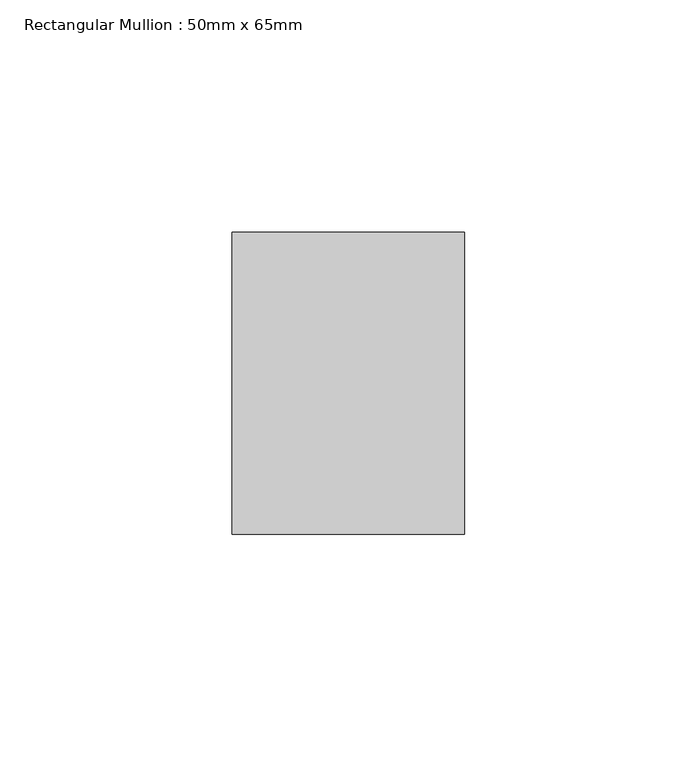
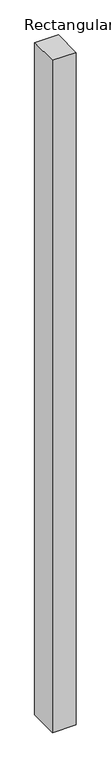
"""IFC4 building model written with IfcOpenShell, lengths in millimetres: member geometry, Rectangular Mullion : 50mm x 65mm."""

from ifc_helpers import new_model, si_unit, frame, origin, place, context, project, spatial, polyline, outline, extrude, source, transform, mapped, element, save


def rectangular_mullion_50mm_x_65mm_a09d97a4(model_context):
    return source(origin(), model_context, "Body", "SweptSolid", [
        extrude(outline(polyline([(-32.5, 0.0443362), (32.5, -0.0443362), (32.5, -1499.9019085), (-32.5, -1500.0980854), (-32.5, 0.0443362)])), frame((-25.0, 0.0, 0.0), z_axis=(1.0, 0.0, 0.0), x_axis=(0.0, 1.0, 0.0)), (0.0, 0.0, 1.0), 50.0),
    ])


if __name__ == "__main__":
    model = new_model("IFC4")
    model_context = context("Model", 3, world=origin())
    ifc_project = project(units=[si_unit("LENGTHUNIT", "METRE", prefix="MILLI")], contexts=[model_context])
    site = spatial("IfcSite", under=ifc_project)
    building = spatial("IfcBuilding", under=site)
    placement = place(None, origin())
    rectangular_mullion_50mm_x_65mm_shape = rectangular_mullion_50mm_x_65mm_a09d97a4(model_context)
    element("IfcMember", 1, ObjectType="Rectangular Mullion : 50mm x 65mm", at=placement, inside=building, context=model_context, shape_type="MappedRepresentation", body=[
        mapped(rectangular_mullion_50mm_x_65mm_shape, transform((0.0, 0.0, 0.0), x_axis=(1.0, 0.0, 0.0), y_axis=(0.0, 1.0, 0.0), z_axis=(0.0, 0.0, 1.0))),
    ])
    save(model, "model.ifc")
